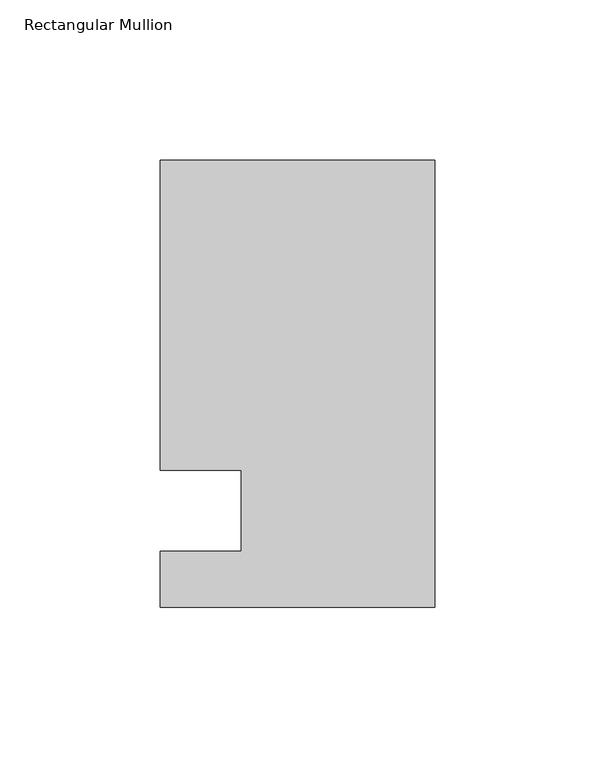
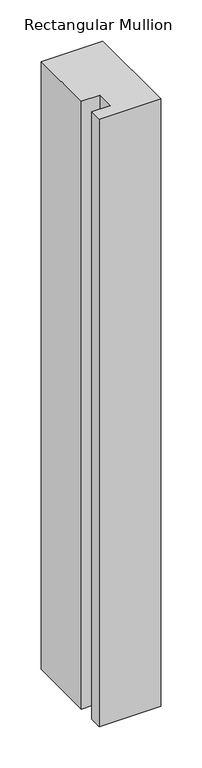
"""IFC4 building model written with IfcOpenShell, lengths in millimetres: member geometry, Rectangular Mullion."""

from ifc_helpers import new_model, si_unit, frame, origin, place, context, project, spatial, polyline, outline, extrude, source, transform, mapped, element, save


def rectangular_mullion_0e40f979(model_context):
    return source(origin(), model_context, "Body", "SweptSolid", [
        extrude(outline(polyline([(-85.725, 109.5375), (0.0, 109.5375), (0.0, -30.1625), (-85.725, -30.1625), (-85.725, -12.7), (-60.325, -12.7), (-60.325, 12.7), (-85.725, 12.7), (-85.725, 109.5375)])), frame((0.0, 0.0, -896.5094027), z_axis=(0.0, 0.0, 1.0), x_axis=(1.0, 0.0, 0.0)), (0.0, 0.0, 1.0), 896.5094027),
    ])


if __name__ == "__main__":
    model = new_model("IFC4")
    model_context = context("Model", 3, world=origin())
    ifc_project = project(units=[si_unit("LENGTHUNIT", "METRE", prefix="MILLI")], contexts=[model_context])
    site = spatial("IfcSite", under=ifc_project)
    building = spatial("IfcBuilding", under=site)
    placement = place(None, origin())
    rectangular_mullion_shape = rectangular_mullion_0e40f979(model_context)
    element("IfcMember", 1, ObjectType="Rectangular Mullion", at=placement, inside=building, context=model_context, shape_type="MappedRepresentation", body=[
        mapped(rectangular_mullion_shape, transform((0.0, 0.0, 0.0), x_axis=(1.0, 0.0, 0.0), y_axis=(0.0, 1.0, 0.0), z_axis=(0.0, 0.0, 1.0))),
    ])
    save(model, "model.ifc")
